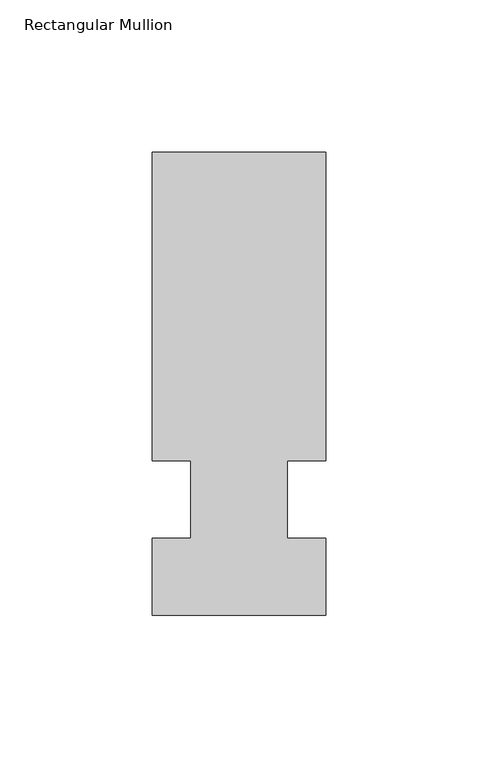
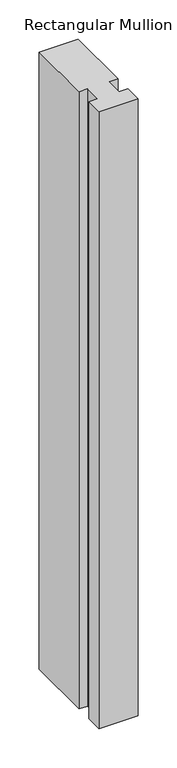
"""IFC4 building model written with IfcOpenShell, lengths in millimetres: member geometry, Rectangular Mullion."""

from ifc_helpers import new_model, si_unit, frame, origin, place, context, project, spatial, polyline, outline, extrude, source, transform, mapped, element, save


def rectangular_mullion_23c171aa(model_context):
    return source(origin(), model_context, "Body", "SweptSolid", [
        extrude(outline(polyline([(32.9094027, 114.3), (32.9094027, 12.7), (20.2076322, 12.7), (20.2076322, -12.7), (32.9094027, -12.7), (32.9094027, -38.1), (-24.2405973, -38.1), (-24.2405973, -12.7), (-11.5405973, -12.7), (-11.5405973, 12.7), (-24.2405973, 12.7), (-24.2405973, 114.3), (32.9094027, 114.3)])), frame((0.0, 0.0, -958.85), z_axis=(0.0, 0.0, 1.0), x_axis=(1.0, 0.0, 0.0)), (0.0, 0.0, 1.0), 958.85),
    ])


if __name__ == "__main__":
    model = new_model("IFC4")
    model_context = context("Model", 3, world=origin())
    ifc_project = project(units=[si_unit("LENGTHUNIT", "METRE", prefix="MILLI")], contexts=[model_context])
    site = spatial("IfcSite", under=ifc_project)
    building = spatial("IfcBuilding", under=site)
    placement = place(None, origin())
    rectangular_mullion_shape = rectangular_mullion_23c171aa(model_context)
    element("IfcMember", 1, ObjectType="Rectangular Mullion", at=placement, inside=building, context=model_context, shape_type="MappedRepresentation", body=[
        mapped(rectangular_mullion_shape, transform((0.0, 0.0, 0.0), x_axis=(1.0, 0.0, 0.0), y_axis=(0.0, 1.0, 0.0), z_axis=(0.0, 0.0, 1.0))),
    ])
    save(model, "model.ifc")
